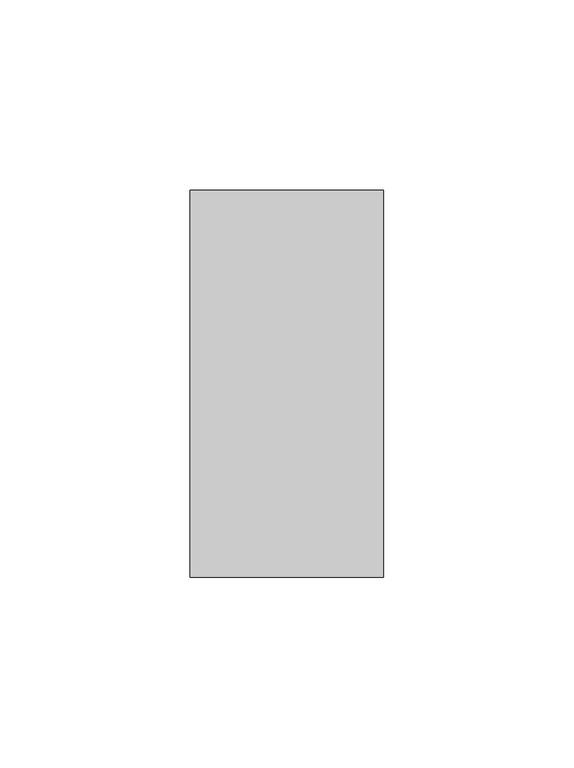
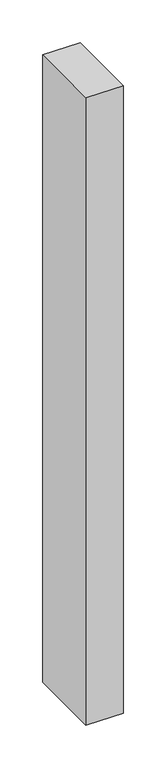
"""IFC4 building model written with IfcOpenShell, lengths in millimetres: proxy geometry."""

from ifc_helpers import new_model, si_unit, origin, origin_with_axes, place, context, project, spatial, polyline, outline, extrude, source, transform, mapped, element, save


def generic_models_54dd9c9f(model_context):
    return source(origin(), model_context, "Body", "SweptSolid", [
        extrude(outline(polyline([(50.8, 0.0), (0.0, 0.0), (0.0, 101.6), (50.8, 101.6), (50.8, 0.0)])), origin_with_axes(), (0.0, 0.0, 1.0), 900.0),
    ])


if __name__ == "__main__":
    model = new_model("IFC4")
    model_context = context("Model", 3, world=origin())
    ifc_project = project(units=[si_unit("LENGTHUNIT", "METRE", prefix="MILLI")], contexts=[model_context])
    site = spatial("IfcSite", under=ifc_project)
    building = spatial("IfcBuilding", under=site)
    placement = place(None, origin())
    generic_models_shape = generic_models_54dd9c9f(model_context)
    element("IfcBuildingElementProxy", 1, Name="Generic Models", at=placement, inside=building, context=model_context, shape_type="MappedRepresentation", body=[
        mapped(generic_models_shape, transform((0.0, 0.0, 0.0), x_axis=(1.0, 0.0, 0.0), y_axis=(0.0, 1.0, 0.0), z_axis=(0.0, 0.0, 1.0))),
    ])
    save(model, "model.ifc")
